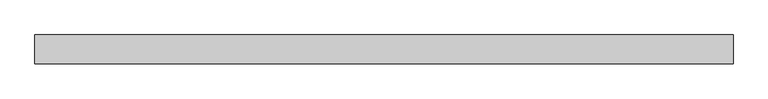
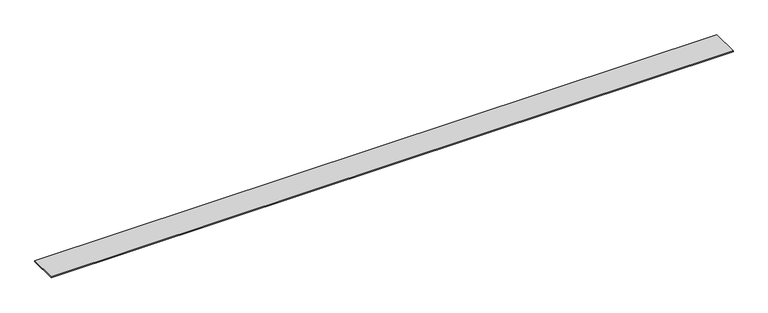
"""IFC4 building model written with IfcOpenShell, lengths in millimetres: proxy geometry."""

from ifc_helpers import new_model, si_unit, origin, origin_with_axes, place, context, project, spatial, polyline, outline, extrude, source, transform, mapped, element, save


def generic_models_9f15dd6a(model_context):
    return source(origin(), model_context, "Body", "SweptSolid", [
        extrude(outline(polyline([(7300.0, 300.0), (7300.0, 0.0), (0.0, 0.0), (0.0, 300.0), (7300.0, 300.0)])), origin_with_axes(), (0.0, 0.0, 1.0), 10.0),
    ])


if __name__ == "__main__":
    model = new_model("IFC4")
    model_context = context("Model", 3, world=origin())
    ifc_project = project(units=[si_unit("LENGTHUNIT", "METRE", prefix="MILLI")], contexts=[model_context])
    site = spatial("IfcSite", under=ifc_project)
    building = spatial("IfcBuilding", under=site)
    placement = place(None, origin())
    generic_models_shape = generic_models_9f15dd6a(model_context)
    element("IfcBuildingElementProxy", 1, Name="Generic Models", at=placement, inside=building, context=model_context, shape_type="MappedRepresentation", body=[
        mapped(generic_models_shape, transform((0.0, 0.0, 0.0), x_axis=(1.0, 0.0, 0.0), y_axis=(0.0, 1.0, 0.0), z_axis=(0.0, 0.0, 1.0))),
    ])
    save(model, "model.ifc")
